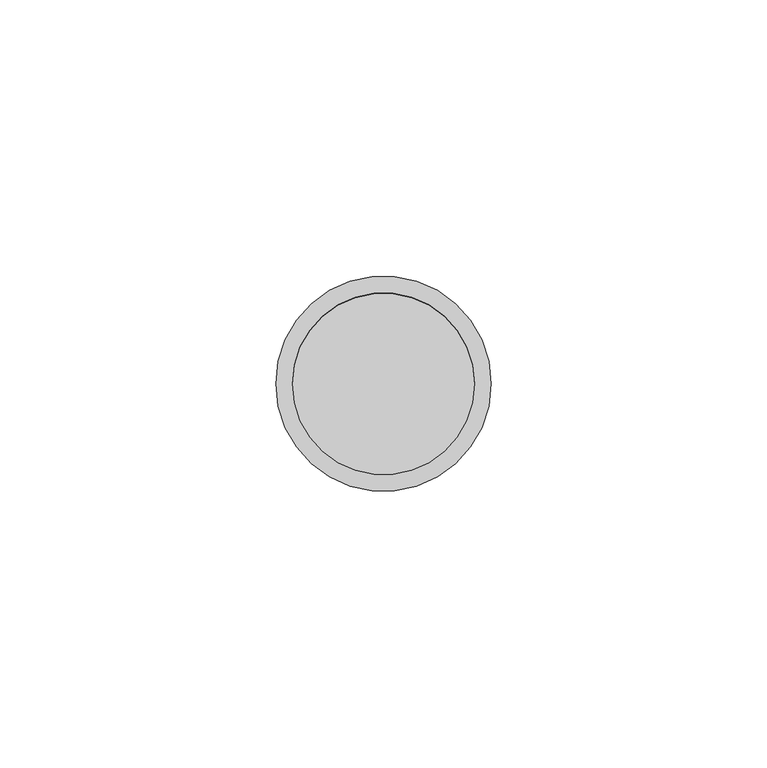
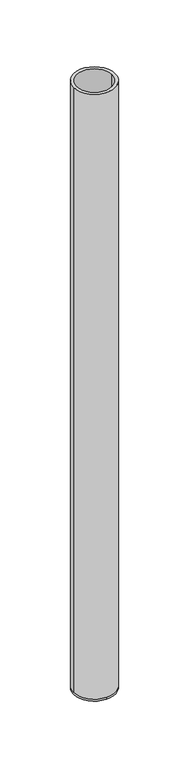
"""IFC4 building model written with IfcOpenShell, lengths in millimetres: beam geometry."""

from ifc_helpers import new_model, si_unit, frame, origin, place, context, project, spatial, polyline, circle_curve, source, transform, mapped, element, save
from ifc_brep_helpers import plane_surface, cylinder_surface, revolved_surface, advanced_brep


def beam_fe25ae34(model_context):
    return source(origin(), model_context, "Body", "AdvancedBrep", [
        advanced_brep(
        [(19.5, 0.0, 0.0), (-19.5, 0.0, 0.0), (16.5, 0.0, 0.0), (-16.5, 0.0, 0.0), (16.5, 0.0, -598.0), (-16.5, 0.0, -598.0), (19.5, 0.0, -598.0), (0.0, 19.5, -598.0), (-19.5, 0.0, -598.0), (0.0, -19.5, -598.0), (0.0, 19.5, -600.0), (0.0, -19.5, -600.0)],
        [
            (0, 1, circle_curve(frame((0.0, 0.0, 0.0), z_axis=(0.0, 0.0, 1.0), x_axis=(-1.0, 0.0, 0.0)), 19.5)),
            (1, 0, circle_curve(frame((0.0, 0.0, 0.0), z_axis=(0.0, 0.0, 1.0), x_axis=(-1.0, 0.0, 0.0)), 19.5)),
            (2, 3, circle_curve(frame((0.0, 0.0, 0.0), z_axis=(0.0, 0.0, -1.0), x_axis=(-1.0, 0.0, 0.0)), 16.5)),
            (3, 2, circle_curve(frame((0.0, 0.0, 0.0), z_axis=(0.0, 0.0, -1.0), x_axis=(-1.0, 0.0, 0.0)), 16.5)),
            (2, 4),
            (4, 5, circle_curve(frame((0.0, 0.0, -598.0), z_axis=(0.0, 0.0, -1.0), x_axis=(-1.0, 0.0, 0.0)), 16.5)),
            (5, 3),
            (5, 4, circle_curve(frame((0.0, 0.0, -598.0), z_axis=(0.0, 0.0, -1.0), x_axis=(-1.0, 0.0, 0.0)), 16.5)),
            (0, 6),
            (6, 7, circle_curve(frame((0.0, 0.0, -598.0), z_axis=(0.0, 0.0, 1.0), x_axis=(-1.0, 0.0, 0.0)), 19.5)),
            (7, 8, circle_curve(frame((0.0, 0.0, -598.0), z_axis=(0.0, 0.0, 1.0), x_axis=(-1.0, 0.0, 0.0)), 19.5)),
            (8, 1),
            (8, 9, circle_curve(frame((0.0, 0.0, -598.0), z_axis=(0.0, 0.0, 1.0), x_axis=(-1.0, 0.0, 0.0)), 19.5)),
            (9, 6, circle_curve(frame((0.0, 0.0, -598.0), z_axis=(0.0, 0.0, 1.0), x_axis=(-1.0, 0.0, 0.0)), 19.5)),
            (10, 11, circle_curve(frame((0.0, 0.0, -600.0), z_axis=(0.0, 0.0, -1.0), x_axis=(0.0, -1.0, 0.0)), 19.5)),
            (11, 10, circle_curve(frame((0.0, 0.0, -600.0), z_axis=(0.0, 0.0, -1.0), x_axis=(0.0, -1.0, 0.0)), 19.5)),
            (11, 9),
            (7, 10),
        ],
        [
            plane_surface(frame((0.0, 0.0, 0.0), z_axis=(0.0, 0.0, 1.0), x_axis=(0.0, -1.0, 0.0))),
            revolved_surface(polyline([(-16.5, 0.0, 0.0), (-16.5, 0.0, -598.0)]), (0.0, 0.0, -598.0), (0.0, 0.0, 1.0)),
            cylinder_surface(frame((0.0, 0.0, -598.0), z_axis=(0.0, 0.0, -1.0), x_axis=(-1.0, 0.0, 0.0)), 19.5),
            plane_surface(frame((0.0, 0.0, -598.0), z_axis=(0.0, 0.0, 1.0), x_axis=(0.0, -1.0, 0.0))),
            plane_surface(frame((0.0, 0.0, -600.0), z_axis=(0.0, 0.0, -1.0), x_axis=(0.0, -1.0, 0.0))),
            cylinder_surface(frame((0.0, 0.0, -598.0), z_axis=(0.0, 0.0, 1.0), x_axis=(0.0, -1.0, 0.0)), 19.5),
        ],
        [
            (0, [[1, 2], [3, 4]]),
            (1, [[-3, 5, 6, 7]]),
            (1, [[-4, -7, 8, -5]]),
            (2, [[-1, 9, 10, 11, 12]]),
            (2, [[-2, -12, 13, 14, -9]]),
            (3, [[-6, -8]]),
            (4, [[15, 16]]),
            (5, [[-16, 17, -13, -11, 18]]),
            (5, [[-15, -18, -10, -14, -17]]),
        ],
    ),
    ])


if __name__ == "__main__":
    model = new_model("IFC4")
    model_context = context("Model", 3, world=origin())
    ifc_project = project(units=[si_unit("LENGTHUNIT", "METRE", prefix="MILLI")], contexts=[model_context])
    site = spatial("IfcSite", under=ifc_project)
    building = spatial("IfcBuilding", under=site)
    placement = place(None, origin())
    beam_shape = beam_fe25ae34(model_context)
    element("IfcBeam", 1, at=placement, inside=building, context=model_context, shape_type="MappedRepresentation", body=[
        mapped(beam_shape, transform((0.0, 0.0, 0.0), x_axis=(1.0, 0.0, 0.0), y_axis=(0.0, 1.0, 0.0), z_axis=(0.0, 0.0, 1.0))),
    ])
    save(model, "model.ifc")
